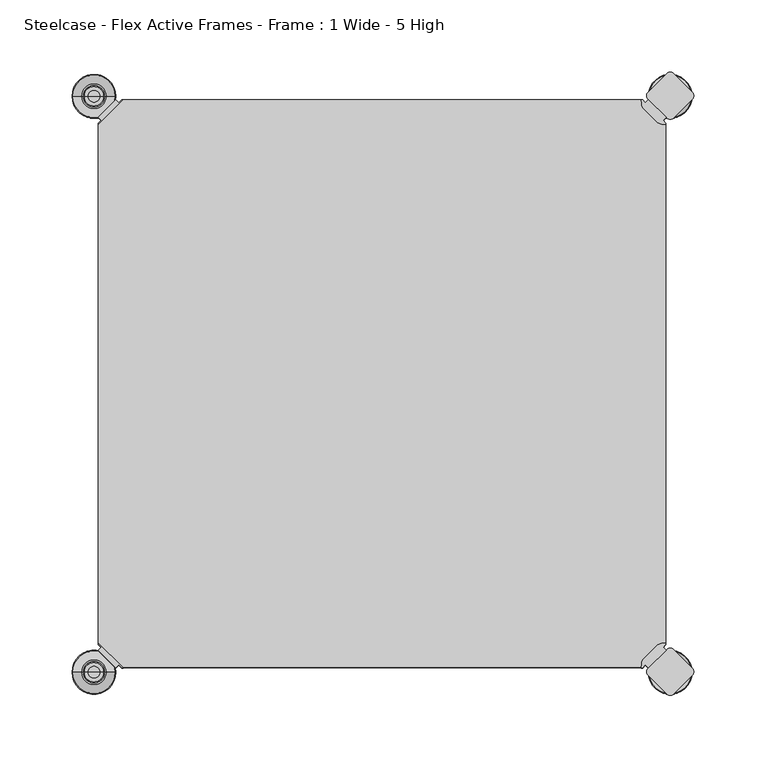
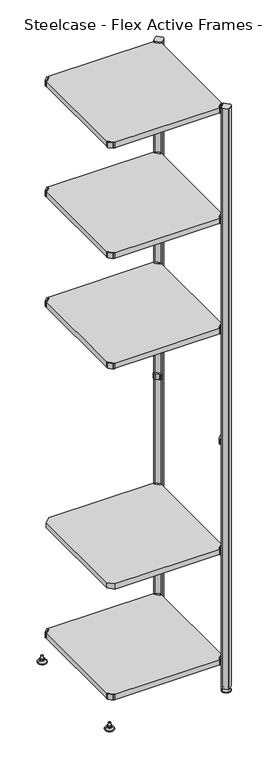
"""IFC4 building model written with IfcOpenShell, lengths in millimetres: furniture geometry, Steelcase - Flex Active Frames - Frame : 1 Wide - 5 High."""

from ifc_helpers import new_model, si_unit, point, frame, frame_2d, origin, place, context, project, spatial, polyline, circle_curve, ellipse_curve, trimmed, segment, composite_curve, outline, extrude, source, transform, mapped, element, save
from ifc_brep_helpers import plane_surface, cylinder_surface, revolved_surface, advanced_brep


def steelcase_flex_active_frames_frame_1_wide_5_high_80282c3d(model_context):
    return source(origin(), model_context, "Body", "SolidModel", [
        advanced_brep(
        [(397.0189896, -396.9286835, 0.0), (410.9677105, -396.9286835, 0.0), (383.0702688, -396.9286835, 0.0), (411.9146181, -396.9286835, 2.116325), (382.1233612, -396.9286835, 2.116325), (405.7623742, -396.9286835, 8.9997406), (388.2756051, -396.9286835, 8.9997406), (404.4198582, -396.9286835, 8.9997406), (389.6181211, -396.9286835, 8.9997406), (404.4198582, -396.9286835, 12.0919909), (389.6181211, -396.9286835, 12.0919909), (403.9118582, -396.9286835, 12.5999909), (390.1261211, -396.9286835, 12.5999909), (401.03832, -396.9286835, 12.5999909), (392.9996593, -396.9286835, 12.5999909), (401.03832, -396.9286835, 22.7146261), (392.9996593, -396.9286835, 22.7146261), (397.0189896, -396.9286835, 22.7146261)],
        [
            (0, 1),
            (1, 2, circle_curve(frame((397.0189896, -396.9286835, 0.0), z_axis=(0.0, 0.0, -1.0), x_axis=(1.0, 0.0, 0.0)), 13.9487209)),
            (2, 0),
            (2, 1, circle_curve(frame((397.0189896, -396.9286835, 0.0), z_axis=(0.0, 0.0, -1.0), x_axis=(1.0, 0.0, 0.0)), 13.9487209)),
            (1, 3, circle_curve(frame((410.9677105, -396.9286835, 1.27), z_axis=(0.0, -1.0, 0.0), x_axis=(1.0, 0.0, 0.0)), 1.27)),
            (3, 4, circle_curve(frame((397.0189896, -396.9286835, 2.116325), z_axis=(0.0, 0.0, -1.0), x_axis=(1.0, 0.0, 0.0)), 14.8956285)),
            (4, 2, circle_curve(frame((383.0702688, -396.9286835, 1.27), z_axis=(0.0, -1.0, 0.0), x_axis=(-1.0, 0.0, 0.0)), 1.27)),
            (4, 3, circle_curve(frame((397.0189896, -396.9286835, 2.116325), z_axis=(0.0, 0.0, -1.0), x_axis=(1.0, 0.0, 0.0)), 14.8956285)),
            (3, 5),
            (5, 6, circle_curve(frame((397.0189896, -396.9286835, 8.9997406), z_axis=(0.0, 0.0, -1.0), x_axis=(1.0, 0.0, 0.0)), 8.7433846)),
            (6, 4),
            (6, 5, circle_curve(frame((397.0189896, -396.9286835, 8.9997406), z_axis=(0.0, 0.0, -1.0), x_axis=(1.0, 0.0, 0.0)), 8.7433846)),
            (5, 7),
            (7, 8, circle_curve(frame((397.0189896, -396.9286835, 8.9997406), z_axis=(0.0, 0.0, -1.0), x_axis=(1.0, 0.0, 0.0)), 7.4008685)),
            (8, 6),
            (8, 7, circle_curve(frame((397.0189896, -396.9286835, 8.9997406), z_axis=(0.0, 0.0, -1.0), x_axis=(1.0, 0.0, 0.0)), 7.4008685)),
            (7, 9),
            (9, 10, circle_curve(frame((397.0189896, -396.9286835, 12.0919909), z_axis=(0.0, 0.0, -1.0), x_axis=(1.0, 0.0, 0.0)), 7.4008685)),
            (10, 8),
            (10, 9, circle_curve(frame((397.0189896, -396.9286835, 12.0919909), z_axis=(0.0, 0.0, -1.0), x_axis=(1.0, 0.0, 0.0)), 7.4008685)),
            (9, 11, circle_curve(frame((403.9118582, -396.9286835, 12.0919909), z_axis=(0.0, -1.0, 0.0), x_axis=(1.0, 0.0, 0.0)), 0.508)),
            (11, 12, circle_curve(frame((397.0189896, -396.9286835, 12.5999909), z_axis=(0.0, 0.0, -1.0), x_axis=(1.0, 0.0, 0.0)), 6.8928685)),
            (12, 10, circle_curve(frame((390.1261211, -396.9286835, 12.0919909), z_axis=(0.0, -1.0, 0.0), x_axis=(-1.0, 0.0, 0.0)), 0.508)),
            (12, 11, circle_curve(frame((397.0189896, -396.9286835, 12.5999909), z_axis=(0.0, 0.0, -1.0), x_axis=(1.0, 0.0, 0.0)), 6.8928685)),
            (11, 13),
            (13, 14, circle_curve(frame((397.0189896, -396.9286835, 12.5999909), z_axis=(0.0, 0.0, -1.0), x_axis=(1.0, 0.0, 0.0)), 4.0193303)),
            (14, 12),
            (14, 13, circle_curve(frame((397.0189896, -396.9286835, 12.5999909), z_axis=(0.0, 0.0, -1.0), x_axis=(1.0, 0.0, 0.0)), 4.0193303)),
            (13, 15),
            (15, 16, circle_curve(frame((397.0189896, -396.9286835, 22.7146261), z_axis=(0.0, 0.0, -1.0), x_axis=(1.0, 0.0, 0.0)), 4.0193303)),
            (16, 14),
            (16, 15, circle_curve(frame((397.0189896, -396.9286835, 22.7146261), z_axis=(0.0, 0.0, -1.0), x_axis=(1.0, 0.0, 0.0)), 4.0193303)),
            (15, 17),
            (17, 16),
        ],
        [
            plane_surface(frame((397.0189896, -396.9286835, 0.0), z_axis=(0.0, 0.0, -1.0), x_axis=(1.0, 0.0, 0.0))),
            revolved_surface(trimmed(ellipse_curve(frame((410.9677105, -396.9286835, 1.27), z_axis=(0.0, 1.0, 0.0), x_axis=(1.0, 0.0, 0.0)), 1.27, 1.27), [point((411.9146181, -396.9286835, 2.116325))], [point((410.9677105, -396.9286835, 0.0))], True, "CARTESIAN"), (397.0189896, -396.9286835, 32.0514718), (0.0, 0.0, -1.0)),
            revolved_surface(polyline([(405.7623742, -396.9286835, 8.9997406), (411.9146181, -396.9286835, 2.116325)]), (397.0189896, -396.9286835, 32.0514718), (0.0, 0.0, -1.0)),
            plane_surface(frame((397.0189896, -396.9286835, 8.9997406), z_axis=(0.0, 0.0, 1.0), x_axis=(1.0, 0.0, 0.0))),
            cylinder_surface(frame((397.0189896, -396.9286835, 32.0514718), z_axis=(0.0, 0.0, -1.0), x_axis=(1.0, 0.0, 0.0)), 7.4008685),
            revolved_surface(trimmed(ellipse_curve(frame((403.9118582, -396.9286835, 12.0919909), z_axis=(0.0, 1.0, 0.0), x_axis=(1.0, 0.0, 0.0)), 0.508, 0.508), [point((403.9118582, -396.9286835, 12.5999909))], [point((404.4198582, -396.9286835, 12.0919909))], True, "CARTESIAN"), (397.0189896, -396.9286835, 32.0514718), (0.0, 0.0, -1.0)),
            plane_surface(frame((397.0189896, -396.9286835, 12.5999909), z_axis=(0.0, 0.0, 1.0), x_axis=(1.0, 0.0, 0.0))),
            cylinder_surface(frame((397.0189896, -396.9286835, 32.0514718), z_axis=(0.0, 0.0, -1.0), x_axis=(1.0, 0.0, 0.0)), 4.0193303),
            plane_surface(frame((397.0189896, -396.9286835, 22.7146261), z_axis=(0.0, 0.0, 1.0), x_axis=(1.0, 0.0, 0.0))),
        ],
        [
            (0, [[1, 2, 3]]),
            (0, [[-3, 4, -1]]),
            (1, [[-2, 5, 6, 7]]),
            (1, [[-4, -7, 8, -5]]),
            (2, [[-6, 9, 10, 11]]),
            (2, [[-8, -11, 12, -9]]),
            (3, [[-10, 13, 14, 15]]),
            (3, [[-12, -15, 16, -13]]),
            (4, [[-14, 17, 18, 19]]),
            (4, [[-16, -19, 20, -17]]),
            (5, [[-18, 21, 22, 23]]),
            (5, [[-20, -23, 24, -21]]),
            (6, [[-22, 25, 26, 27]]),
            (6, [[-24, -27, 28, -25]]),
            (7, [[-26, 29, 30, 31]]),
            (7, [[-28, -31, 32, -29]]),
            (8, [[-30, 33, 34]]),
            (8, [[-32, -34, -33]]),
        ],
    ),
        advanced_brep(
        [(397.0189896, 2.9246323, 0.0), (383.0702688, 2.9246323, 0.0), (410.9677105, 2.9246323, 0.0), (382.1233612, 2.9246323, 2.116325), (411.9146181, 2.9246323, 2.116325), (388.2756051, 2.9246323, 8.9997406), (405.7623742, 2.9246323, 8.9997406), (389.6181211, 2.9246323, 8.9997406), (404.4198582, 2.9246323, 8.9997406), (389.6181211, 2.9246323, 12.0919909), (404.4198582, 2.9246323, 12.0919909), (390.1261211, 2.9246323, 12.5999909), (403.9118582, 2.9246323, 12.5999909), (392.9996593, 2.9246323, 12.5999909), (401.03832, 2.9246323, 12.5999909), (392.9996593, 2.9246323, 22.7146261), (401.03832, 2.9246323, 22.7146261), (397.0189896, 2.9246323, 22.7146261)],
        [
            (0, 1),
            (1, 2, circle_curve(frame((397.0189896, 2.9246323, 0.0), z_axis=(0.0, 0.0, -1.0), x_axis=(1.0, 0.0, 0.0)), 13.9487209)),
            (2, 0),
            (2, 1, circle_curve(frame((397.0189896, 2.9246323, 0.0), z_axis=(0.0, 0.0, -1.0), x_axis=(1.0, 0.0, 0.0)), 13.9487209)),
            (1, 3, circle_curve(frame((383.0702688, 2.9246323, 1.27), z_axis=(0.0, 1.0, 0.0), x_axis=(-1.0, 0.0, 0.0)), 1.27)),
            (3, 4, circle_curve(frame((397.0189896, 2.9246323, 2.116325), z_axis=(0.0, 0.0, -1.0), x_axis=(1.0, 0.0, 0.0)), 14.8956285)),
            (4, 2, circle_curve(frame((410.9677105, 2.9246323, 1.27), z_axis=(0.0, 1.0, 0.0), x_axis=(1.0, 0.0, 0.0)), 1.27)),
            (4, 3, circle_curve(frame((397.0189896, 2.9246323, 2.116325), z_axis=(0.0, 0.0, -1.0), x_axis=(1.0, 0.0, 0.0)), 14.8956285)),
            (3, 5),
            (5, 6, circle_curve(frame((397.0189896, 2.9246323, 8.9997406), z_axis=(0.0, 0.0, -1.0), x_axis=(1.0, 0.0, 0.0)), 8.7433846)),
            (6, 4),
            (6, 5, circle_curve(frame((397.0189896, 2.9246323, 8.9997406), z_axis=(0.0, 0.0, -1.0), x_axis=(1.0, 0.0, 0.0)), 8.7433846)),
            (5, 7),
            (7, 8, circle_curve(frame((397.0189896, 2.9246323, 8.9997406), z_axis=(0.0, 0.0, -1.0), x_axis=(1.0, 0.0, 0.0)), 7.4008685)),
            (8, 6),
            (8, 7, circle_curve(frame((397.0189896, 2.9246323, 8.9997406), z_axis=(0.0, 0.0, -1.0), x_axis=(1.0, 0.0, 0.0)), 7.4008685)),
            (7, 9),
            (9, 10, circle_curve(frame((397.0189896, 2.9246323, 12.0919909), z_axis=(0.0, 0.0, -1.0), x_axis=(1.0, 0.0, 0.0)), 7.4008685)),
            (10, 8),
            (10, 9, circle_curve(frame((397.0189896, 2.9246323, 12.0919909), z_axis=(0.0, 0.0, -1.0), x_axis=(1.0, 0.0, 0.0)), 7.4008685)),
            (9, 11, circle_curve(frame((390.1261211, 2.9246323, 12.0919909), z_axis=(0.0, 1.0, 0.0), x_axis=(-1.0, 0.0, 0.0)), 0.508)),
            (11, 12, circle_curve(frame((397.0189896, 2.9246323, 12.5999909), z_axis=(0.0, 0.0, -1.0), x_axis=(1.0, 0.0, 0.0)), 6.8928685)),
            (12, 10, circle_curve(frame((403.9118582, 2.9246323, 12.0919909), z_axis=(0.0, 1.0, 0.0), x_axis=(1.0, 0.0, 0.0)), 0.508)),
            (12, 11, circle_curve(frame((397.0189896, 2.9246323, 12.5999909), z_axis=(0.0, 0.0, -1.0), x_axis=(1.0, 0.0, 0.0)), 6.8928685)),
            (11, 13),
            (13, 14, circle_curve(frame((397.0189896, 2.9246323, 12.5999909), z_axis=(0.0, 0.0, -1.0), x_axis=(1.0, 0.0, 0.0)), 4.0193303)),
            (14, 12),
            (14, 13, circle_curve(frame((397.0189896, 2.9246323, 12.5999909), z_axis=(0.0, 0.0, -1.0), x_axis=(1.0, 0.0, 0.0)), 4.0193303)),
            (13, 15),
            (15, 16, circle_curve(frame((397.0189896, 2.9246323, 22.7146261), z_axis=(0.0, 0.0, -1.0), x_axis=(1.0, 0.0, 0.0)), 4.0193303)),
            (16, 14),
            (16, 15, circle_curve(frame((397.0189896, 2.9246323, 22.7146261), z_axis=(0.0, 0.0, -1.0), x_axis=(1.0, 0.0, 0.0)), 4.0193303)),
            (15, 17),
            (17, 16),
        ],
        [
            plane_surface(frame((397.0189896, 2.9246323, 0.0), z_axis=(0.0, 0.0, -1.0), x_axis=(1.0, 0.0, 0.0))),
            revolved_surface(trimmed(ellipse_curve(frame((410.9677105, 2.9246323, 1.27), z_axis=(0.0, 1.0, 0.0), x_axis=(1.0, 0.0, 0.0)), 1.27, 1.27), [point((411.9146181, 2.9246323, 2.116325))], [point((410.9677105, 2.9246323, 0.0))], True, "CARTESIAN"), (397.0189896, 2.9246323, 32.0514718), (0.0, 0.0, -1.0)),
            revolved_surface(polyline([(405.7623742, 2.9246323, 8.9997406), (411.9146181, 2.9246323, 2.116325)]), (397.0189896, 2.9246323, 32.0514718), (0.0, 0.0, -1.0)),
            plane_surface(frame((397.0189896, 2.9246323, 8.9997406), z_axis=(0.0, 0.0, 1.0), x_axis=(1.0, 0.0, 0.0))),
            cylinder_surface(frame((397.0189896, 2.9246323, 32.0514718), z_axis=(0.0, 0.0, -1.0), x_axis=(1.0, 0.0, 0.0)), 7.4008685),
            revolved_surface(trimmed(ellipse_curve(frame((403.9118582, 2.9246323, 12.0919909), z_axis=(0.0, 1.0, 0.0), x_axis=(1.0, 0.0, 0.0)), 0.508, 0.508), [point((403.9118582, 2.9246323, 12.5999909))], [point((404.4198582, 2.9246323, 12.0919909))], True, "CARTESIAN"), (397.0189896, 2.9246323, 32.0514718), (0.0, 0.0, -1.0)),
            plane_surface(frame((397.0189896, 2.9246323, 12.5999909), z_axis=(0.0, 0.0, 1.0), x_axis=(1.0, 0.0, 0.0))),
            cylinder_surface(frame((397.0189896, 2.9246323, 32.0514718), z_axis=(0.0, 0.0, -1.0), x_axis=(1.0, 0.0, 0.0)), 4.0193303),
            plane_surface(frame((397.0189896, 2.9246323, 22.7146261), z_axis=(0.0, 0.0, 1.0), x_axis=(1.0, 0.0, 0.0))),
        ],
        [
            (0, [[1, 2, 3]]),
            (0, [[-3, 4, -1]]),
            (1, [[5, 6, 7, -2]]),
            (1, [[-7, 8, -5, -4]]),
            (2, [[9, 10, 11, -6]]),
            (2, [[-11, 12, -9, -8]]),
            (3, [[13, 14, 15, -10]]),
            (3, [[-15, 16, -13, -12]]),
            (4, [[17, 18, 19, -14]]),
            (4, [[-19, 20, -17, -16]]),
            (5, [[21, 22, 23, -18]]),
            (5, [[-23, 24, -21, -20]]),
            (6, [[25, 26, 27, -22]]),
            (6, [[-27, 28, -25, -24]]),
            (7, [[29, 30, 31, -26]]),
            (7, [[-31, 32, -29, -28]]),
            (8, [[33, 34, -30]]),
            (8, [[-34, -33, -32]]),
        ],
    ),
        advanced_brep(
        [(-3.0195166, -396.8786323, 0.0), (10.9292042, -396.8786323, 0.0), (-16.9682375, -396.8786323, 0.0), (11.8761118, -396.8786323, 2.116325), (-17.9151451, -396.8786323, 2.116325), (5.7238679, -396.8786323, 8.9997406), (-11.7629012, -396.8786323, 8.9997406), (4.3813519, -396.8786323, 8.9997406), (-10.4203852, -396.8786323, 8.9997406), (4.3813519, -396.8786323, 12.0919909), (-10.4203852, -396.8786323, 12.0919909), (3.8733519, -396.8786323, 12.5999909), (-9.9123852, -396.8786323, 12.5999909), (0.9998137, -396.8786323, 12.5999909), (-7.038847, -396.8786323, 12.5999909), (0.9998137, -396.8786323, 22.7146261), (-7.038847, -396.8786323, 22.7146261), (-3.0195166, -396.8786323, 22.7146261)],
        [
            (0, 1),
            (1, 2, circle_curve(frame((-3.0195166, -396.8786323, 0.0), z_axis=(0.0, 0.0, -1.0), x_axis=(-1.0, 0.0, 0.0)), 13.9487209)),
            (2, 0),
            (2, 1, circle_curve(frame((-3.0195166, -396.8786323, 0.0), z_axis=(0.0, 0.0, -1.0), x_axis=(-1.0, 0.0, 0.0)), 13.9487209)),
            (1, 3, circle_curve(frame((10.9292042, -396.8786323, 1.27), z_axis=(0.0, -1.0, 0.0), x_axis=(1.0, 0.0, 0.0)), 1.27)),
            (3, 4, circle_curve(frame((-3.0195166, -396.8786323, 2.116325), z_axis=(0.0, 0.0, -1.0), x_axis=(-1.0, 0.0, 0.0)), 14.8956285)),
            (4, 2, circle_curve(frame((-16.9682375, -396.8786323, 1.27), z_axis=(0.0, -1.0, 0.0), x_axis=(-1.0, 0.0, 0.0)), 1.27)),
            (4, 3, circle_curve(frame((-3.0195166, -396.8786323, 2.116325), z_axis=(0.0, 0.0, -1.0), x_axis=(-1.0, 0.0, 0.0)), 14.8956285)),
            (3, 5),
            (5, 6, circle_curve(frame((-3.0195166, -396.8786323, 8.9997406), z_axis=(0.0, 0.0, -1.0), x_axis=(-1.0, 0.0, 0.0)), 8.7433846)),
            (6, 4),
            (6, 5, circle_curve(frame((-3.0195166, -396.8786323, 8.9997406), z_axis=(0.0, 0.0, -1.0), x_axis=(-1.0, 0.0, 0.0)), 8.7433846)),
            (5, 7),
            (7, 8, circle_curve(frame((-3.0195166, -396.8786323, 8.9997406), z_axis=(0.0, 0.0, -1.0), x_axis=(-1.0, 0.0, 0.0)), 7.4008685)),
            (8, 6),
            (8, 7, circle_curve(frame((-3.0195166, -396.8786323, 8.9997406), z_axis=(0.0, 0.0, -1.0), x_axis=(-1.0, 0.0, 0.0)), 7.4008685)),
            (7, 9),
            (9, 10, circle_curve(frame((-3.0195166, -396.8786323, 12.0919909), z_axis=(0.0, 0.0, -1.0), x_axis=(-1.0, 0.0, 0.0)), 7.4008685)),
            (10, 8),
            (10, 9, circle_curve(frame((-3.0195166, -396.8786323, 12.0919909), z_axis=(0.0, 0.0, -1.0), x_axis=(-1.0, 0.0, 0.0)), 7.4008685)),
            (9, 11, circle_curve(frame((3.8733519, -396.8786323, 12.0919909), z_axis=(0.0, -1.0, 0.0), x_axis=(1.0, 0.0, 0.0)), 0.508)),
            (11, 12, circle_curve(frame((-3.0195166, -396.8786323, 12.5999909), z_axis=(0.0, 0.0, -1.0), x_axis=(-1.0, 0.0, 0.0)), 6.8928685)),
            (12, 10, circle_curve(frame((-9.9123852, -396.8786323, 12.0919909), z_axis=(0.0, -1.0, 0.0), x_axis=(-1.0, 0.0, 0.0)), 0.508)),
            (12, 11, circle_curve(frame((-3.0195166, -396.8786323, 12.5999909), z_axis=(0.0, 0.0, -1.0), x_axis=(-1.0, 0.0, 0.0)), 6.8928685)),
            (11, 13),
            (13, 14, circle_curve(frame((-3.0195166, -396.8786323, 12.5999909), z_axis=(0.0, 0.0, -1.0), x_axis=(-1.0, 0.0, 0.0)), 4.0193303)),
            (14, 12),
            (14, 13, circle_curve(frame((-3.0195166, -396.8786323, 12.5999909), z_axis=(0.0, 0.0, -1.0), x_axis=(-1.0, 0.0, 0.0)), 4.0193303)),
            (13, 15),
            (15, 16, circle_curve(frame((-3.0195166, -396.8786323, 22.7146261), z_axis=(0.0, 0.0, -1.0), x_axis=(-1.0, 0.0, 0.0)), 4.0193303)),
            (16, 14),
            (16, 15, circle_curve(frame((-3.0195166, -396.8786323, 22.7146261), z_axis=(0.0, 0.0, -1.0), x_axis=(-1.0, 0.0, 0.0)), 4.0193303)),
            (15, 17),
            (17, 16),
        ],
        [
            plane_surface(frame((-3.0195166, -396.8786323, 0.0), z_axis=(0.0, 0.0, -1.0), x_axis=(-1.0, 0.0, 0.0))),
            revolved_surface(trimmed(ellipse_curve(frame((-16.9682375, -396.8786323, 1.27), z_axis=(0.0, -1.0, 0.0), x_axis=(-1.0, 0.0, 0.0)), 1.27, 1.27), [point((-17.9151451, -396.8786323, 2.116325))], [point((-16.9682375, -396.8786323, 0.0))], True, "CARTESIAN"), (-3.0195166, -396.8786323, 32.0514718), (0.0, 0.0, -1.0)),
            revolved_surface(polyline([(-11.7629012, -396.8786323, 8.9997406), (-17.9151451, -396.8786323, 2.116325)]), (-3.0195166, -396.8786323, 32.0514718), (0.0, 0.0, -1.0)),
            plane_surface(frame((-3.0195166, -396.8786323, 8.9997406), z_axis=(0.0, 0.0, 1.0), x_axis=(-1.0, 0.0, 0.0))),
            cylinder_surface(frame((-3.0195166, -396.8786323, 32.0514718), z_axis=(0.0, 0.0, -1.0), x_axis=(-1.0, 0.0, 0.0)), 7.4008685),
            revolved_surface(trimmed(ellipse_curve(frame((-9.9123852, -396.8786323, 12.0919909), z_axis=(0.0, -1.0, 0.0), x_axis=(-1.0, 0.0, 0.0)), 0.508, 0.508), [point((-9.9123852, -396.8786323, 12.5999909))], [point((-10.4203852, -396.8786323, 12.0919909))], True, "CARTESIAN"), (-3.0195166, -396.8786323, 32.0514718), (0.0, 0.0, -1.0)),
            plane_surface(frame((-3.0195166, -396.8786323, 12.5999909), z_axis=(0.0, 0.0, 1.0), x_axis=(-1.0, 0.0, 0.0))),
            cylinder_surface(frame((-3.0195166, -396.8786323, 32.0514718), z_axis=(0.0, 0.0, -1.0), x_axis=(-1.0, 0.0, 0.0)), 4.0193303),
            plane_surface(frame((-3.0195166, -396.8786323, 22.7146261), z_axis=(0.0, 0.0, 1.0), x_axis=(-1.0, 0.0, 0.0))),
        ],
        [
            (0, [[1, 2, 3]]),
            (0, [[-3, 4, -1]]),
            (1, [[5, 6, 7, -2]]),
            (1, [[-7, 8, -5, -4]]),
            (2, [[9, 10, 11, -6]]),
            (2, [[-11, 12, -9, -8]]),
            (3, [[13, 14, 15, -10]]),
            (3, [[-15, 16, -13, -12]]),
            (4, [[17, 18, 19, -14]]),
            (4, [[-19, 20, -17, -16]]),
            (5, [[21, 22, 23, -18]]),
            (5, [[-23, 24, -21, -20]]),
            (6, [[25, 26, 27, -22]]),
            (6, [[-27, 28, -25, -24]]),
            (7, [[29, 30, 31, -26]]),
            (7, [[-31, 32, -29, -28]]),
            (8, [[33, 34, -30]]),
            (8, [[-34, -33, -32]]),
        ],
    ),
        advanced_brep(
        [(-3.0195166, 2.9246323, 0.0), (-16.9682375, 2.9246323, 0.0), (10.9292042, 2.9246323, 0.0), (-17.9151451, 2.9246323, 2.116325), (11.8761118, 2.9246323, 2.116325), (-11.7629012, 2.9246323, 8.9997406), (5.7238679, 2.9246323, 8.9997406), (-10.4203852, 2.9246323, 8.9997406), (4.3813519, 2.9246323, 8.9997406), (-10.4203852, 2.9246323, 12.0919909), (4.3813519, 2.9246323, 12.0919909), (-9.9123852, 2.9246323, 12.5999909), (3.8733519, 2.9246323, 12.5999909), (-7.038847, 2.9246323, 12.5999909), (0.9998137, 2.9246323, 12.5999909), (-7.038847, 2.9246323, 22.7146261), (0.9998137, 2.9246323, 22.7146261), (-3.0195166, 2.9246323, 22.7146261)],
        [
            (0, 1),
            (1, 2, circle_curve(frame((-3.0195166, 2.9246323, 0.0), z_axis=(0.0, 0.0, -1.0), x_axis=(-1.0, 0.0, 0.0)), 13.9487209)),
            (2, 0),
            (2, 1, circle_curve(frame((-3.0195166, 2.9246323, 0.0), z_axis=(0.0, 0.0, -1.0), x_axis=(-1.0, 0.0, 0.0)), 13.9487209)),
            (1, 3, circle_curve(frame((-16.9682375, 2.9246323, 1.27), z_axis=(0.0, 1.0, 0.0), x_axis=(-1.0, 0.0, 0.0)), 1.27)),
            (3, 4, circle_curve(frame((-3.0195166, 2.9246323, 2.116325), z_axis=(0.0, 0.0, -1.0), x_axis=(-1.0, 0.0, 0.0)), 14.8956285)),
            (4, 2, circle_curve(frame((10.9292042, 2.9246323, 1.27), z_axis=(0.0, 1.0, 0.0), x_axis=(1.0, 0.0, 0.0)), 1.27)),
            (4, 3, circle_curve(frame((-3.0195166, 2.9246323, 2.116325), z_axis=(0.0, 0.0, -1.0), x_axis=(-1.0, 0.0, 0.0)), 14.8956285)),
            (3, 5),
            (5, 6, circle_curve(frame((-3.0195166, 2.9246323, 8.9997406), z_axis=(0.0, 0.0, -1.0), x_axis=(-1.0, 0.0, 0.0)), 8.7433846)),
            (6, 4),
            (6, 5, circle_curve(frame((-3.0195166, 2.9246323, 8.9997406), z_axis=(0.0, 0.0, -1.0), x_axis=(-1.0, 0.0, 0.0)), 8.7433846)),
            (5, 7),
            (7, 8, circle_curve(frame((-3.0195166, 2.9246323, 8.9997406), z_axis=(0.0, 0.0, -1.0), x_axis=(-1.0, 0.0, 0.0)), 7.4008685)),
            (8, 6),
            (8, 7, circle_curve(frame((-3.0195166, 2.9246323, 8.9997406), z_axis=(0.0, 0.0, -1.0), x_axis=(-1.0, 0.0, 0.0)), 7.4008685)),
            (7, 9),
            (9, 10, circle_curve(frame((-3.0195166, 2.9246323, 12.0919909), z_axis=(0.0, 0.0, -1.0), x_axis=(-1.0, 0.0, 0.0)), 7.4008685)),
            (10, 8),
            (10, 9, circle_curve(frame((-3.0195166, 2.9246323, 12.0919909), z_axis=(0.0, 0.0, -1.0), x_axis=(-1.0, 0.0, 0.0)), 7.4008685)),
            (9, 11, circle_curve(frame((-9.9123852, 2.9246323, 12.0919909), z_axis=(0.0, 1.0, 0.0), x_axis=(-1.0, 0.0, 0.0)), 0.508)),
            (11, 12, circle_curve(frame((-3.0195166, 2.9246323, 12.5999909), z_axis=(0.0, 0.0, -1.0), x_axis=(-1.0, 0.0, 0.0)), 6.8928685)),
            (12, 10, circle_curve(frame((3.8733519, 2.9246323, 12.0919909), z_axis=(0.0, 1.0, 0.0), x_axis=(1.0, 0.0, 0.0)), 0.508)),
            (12, 11, circle_curve(frame((-3.0195166, 2.9246323, 12.5999909), z_axis=(0.0, 0.0, -1.0), x_axis=(-1.0, 0.0, 0.0)), 6.8928685)),
            (11, 13),
            (13, 14, circle_curve(frame((-3.0195166, 2.9246323, 12.5999909), z_axis=(0.0, 0.0, -1.0), x_axis=(-1.0, 0.0, 0.0)), 4.0193303)),
            (14, 12),
            (14, 13, circle_curve(frame((-3.0195166, 2.9246323, 12.5999909), z_axis=(0.0, 0.0, -1.0), x_axis=(-1.0, 0.0, 0.0)), 4.0193303)),
            (13, 15),
            (15, 16, circle_curve(frame((-3.0195166, 2.9246323, 22.7146261), z_axis=(0.0, 0.0, -1.0), x_axis=(-1.0, 0.0, 0.0)), 4.0193303)),
            (16, 14),
            (16, 15, circle_curve(frame((-3.0195166, 2.9246323, 22.7146261), z_axis=(0.0, 0.0, -1.0), x_axis=(-1.0, 0.0, 0.0)), 4.0193303)),
            (15, 17),
            (17, 16),
        ],
        [
            plane_surface(frame((-3.0195166, 2.9246323, 0.0), z_axis=(0.0, 0.0, -1.0), x_axis=(-1.0, 0.0, 0.0))),
            revolved_surface(trimmed(ellipse_curve(frame((-16.9682375, 2.9246323, 1.27), z_axis=(0.0, -1.0, 0.0), x_axis=(-1.0, 0.0, 0.0)), 1.27, 1.27), [point((-17.9151451, 2.9246323, 2.116325))], [point((-16.9682375, 2.9246323, 0.0))], True, "CARTESIAN"), (-3.0195166, 2.9246323, 32.0514718), (0.0, 0.0, -1.0)),
            revolved_surface(polyline([(-11.7629012, 2.9246323, 8.9997406), (-17.9151451, 2.9246323, 2.116325)]), (-3.0195166, 2.9246323, 32.0514718), (0.0, 0.0, -1.0)),
            plane_surface(frame((-3.0195166, 2.9246323, 8.9997406), z_axis=(0.0, 0.0, 1.0), x_axis=(-1.0, 0.0, 0.0))),
            cylinder_surface(frame((-3.0195166, 2.9246323, 32.0514718), z_axis=(0.0, 0.0, -1.0), x_axis=(-1.0, 0.0, 0.0)), 7.4008685),
            revolved_surface(trimmed(ellipse_curve(frame((-9.9123852, 2.9246323, 12.0919909), z_axis=(0.0, -1.0, 0.0), x_axis=(-1.0, 0.0, 0.0)), 0.508, 0.508), [point((-9.9123852, 2.9246323, 12.5999909))], [point((-10.4203852, 2.9246323, 12.0919909))], True, "CARTESIAN"), (-3.0195166, 2.9246323, 32.0514718), (0.0, 0.0, -1.0)),
            plane_surface(frame((-3.0195166, 2.9246323, 12.5999909), z_axis=(0.0, 0.0, 1.0), x_axis=(-1.0, 0.0, 0.0))),
            cylinder_surface(frame((-3.0195166, 2.9246323, 32.0514718), z_axis=(0.0, 0.0, -1.0), x_axis=(-1.0, 0.0, 0.0)), 4.0193303),
            plane_surface(frame((-3.0195166, 2.9246323, 22.7146261), z_axis=(0.0, 0.0, 1.0), x_axis=(-1.0, 0.0, 0.0))),
        ],
        [
            (0, [[1, 2, 3]]),
            (0, [[-3, 4, -1]]),
            (1, [[-2, 5, 6, 7]]),
            (1, [[-4, -7, 8, -5]]),
            (2, [[-6, 9, 10, 11]]),
            (2, [[-8, -11, 12, -9]]),
            (3, [[-10, 13, 14, 15]]),
            (3, [[-12, -15, 16, -13]]),
            (4, [[-14, 17, 18, 19]]),
            (4, [[-16, -19, 20, -17]]),
            (5, [[-18, 21, 22, 23]]),
            (5, [[-20, -23, 24, -21]]),
            (6, [[-22, 25, 26, 27]]),
            (6, [[-24, -27, 28, -25]]),
            (7, [[-26, 29, 30, 31]]),
            (7, [[-28, -31, 32, -29]]),
            (8, [[-30, 33, 34]]),
            (8, [[-32, -34, -33]]),
        ],
    ),
        extrude(outline(composite_curve([segment(polyline([(379.8559087, -1.93874), (381.9438741, 0.1493247), (394.1381758, -12.044977), (392.050245, -14.1329326), (394.0211787, -16.1038431), (394.0089928, -17.203916), (391.2738542, -16.8384277)]), True, "CONTINUOUS"), segment(trimmed(circle_curve(frame_2d((392.1149096, -10.5443729)), 6.35), [point((391.2738542, -16.8384277))], [point((387.6247514, -15.0344708))], False, "CARTESIAN"), True, "CONTINUOUS"), segment(polyline([(387.6247514, -15.0344708), (378.9554584, -6.3650612)]), True, "CONTINUOUS"), segment(trimmed(circle_curve(frame_2d((383.4456166, -1.8749633)), 6.35), [point((378.9554584, -6.3650612))], [point((377.1515853, -2.7161946))], False, "CARTESIAN"), True, "CONTINUOUS"), segment(polyline([(377.1515853, -2.7161946), (376.786013, 0.0189911), (377.8859459, 0.0311996), (379.8559087, -1.93874)]), True, "CONTINUOUS")], self_intersect=False)), frame((0.0, 0.0, 2096.4822075), z_axis=(0.0, 0.0, 1.0), x_axis=(1.0, 0.0, 0.0)), (0.0, 0.0, 1.0), 20.2281258),
        extrude(outline(composite_curve([segment(polyline([(379.8559087, -392.01526), (377.8859459, -393.9851996), (376.786013, -393.9729911), (377.1515853, -391.2378054)]), True, "CONTINUOUS"), segment(trimmed(circle_curve(frame_2d((383.4456166, -392.0790367)), 6.35), [point((377.1515853, -391.2378054))], [point((378.9554584, -387.5889388))], False, "CARTESIAN"), True, "CONTINUOUS"), segment(polyline([(378.9554584, -387.5889388), (387.6247514, -378.9195292)]), True, "CONTINUOUS"), segment(trimmed(circle_curve(frame_2d((392.1149096, -383.4096271)), 6.35), [point((387.6247514, -378.9195292))], [point((391.2738542, -377.1155723))], False, "CARTESIAN"), True, "CONTINUOUS"), segment(polyline([(391.2738542, -377.1155723), (394.0089928, -376.750084), (394.0211787, -377.8501569), (392.050245, -379.8210674), (394.1381758, -381.909023), (381.9438741, -394.1033247), (379.8559087, -392.01526)]), True, "CONTINUOUS")], self_intersect=False)), frame((0.0, 0.0, 2096.4822075), z_axis=(0.0, 0.0, 1.0), x_axis=(1.0, 0.0, 0.0)), (0.0, 0.0, 1.0), 20.2281258),
        extrude(outline(polyline([(0.0003876, -376.7599914), (0.0003876, -17.1940086), (17.1943962, 0.0), (376.8050768, 0.0), (393.9990854, -17.1940086), (393.9990854, -376.7599914), (376.8050768, -393.954), (17.1943962, -393.954), (0.0003876, -376.7599914)])), frame((0.0, 0.0, 2097.4996841), z_axis=(0.0, 0.0, 1.0), x_axis=(1.0, 0.0, 0.0)), (0.0, 0.0, 1.0), 19.0000031),
        extrude(outline(composite_curve([segment(polyline([(14.1435643, -1.93874), (16.1135271, 0.0311996), (17.21346, 0.0189911), (16.8478877, -2.7161946)]), True, "CONTINUOUS"), segment(trimmed(circle_curve(frame_2d((10.5538564, -1.8749633)), 6.35), [point((16.8478877, -2.7161946))], [point((15.0440146, -6.3650612))], False, "CARTESIAN"), True, "CONTINUOUS"), segment(polyline([(15.0440146, -6.3650612), (6.3747216, -15.0344708)]), True, "CONTINUOUS"), segment(trimmed(circle_curve(frame_2d((1.8845634, -10.5443729)), 6.35), [point((6.3747216, -15.0344708))], [point((2.7256188, -16.8384277))], False, "CARTESIAN"), True, "CONTINUOUS"), segment(polyline([(2.7256188, -16.8384277), (-0.0095198, -17.203916), (-0.0217057, -16.1038431), (1.949228, -14.1329326), (-0.1387028, -12.044977), (12.0555989, 0.1493247), (14.1435643, -1.93874)]), True, "CONTINUOUS")], self_intersect=False)), frame((0.0, 0.0, 2096.4822075), z_axis=(0.0, 0.0, 1.0), x_axis=(1.0, 0.0, 0.0)), (0.0, 0.0, 1.0), 20.2281258),
        extrude(outline(composite_curve([segment(polyline([(14.1435643, -392.01526), (12.0555989, -394.1033247), (-0.1387028, -381.909023), (1.949228, -379.8210674), (-0.0217057, -377.8501569), (-0.0095198, -376.750084), (2.7256188, -377.1155723)]), True, "CONTINUOUS"), segment(trimmed(circle_curve(frame_2d((1.8845634, -383.4096271)), 6.35), [point((2.7256188, -377.1155723))], [point((6.3747216, -378.9195292))], False, "CARTESIAN"), True, "CONTINUOUS"), segment(polyline([(6.3747216, -378.9195292), (15.0440146, -387.5889388)]), True, "CONTINUOUS"), segment(trimmed(circle_curve(frame_2d((10.5538564, -392.0790367)), 6.35), [point((15.0440146, -387.5889388))], [point((16.8478877, -391.2378054))], False, "CARTESIAN"), True, "CONTINUOUS"), segment(polyline([(16.8478877, -391.2378054), (17.21346, -393.9729911), (16.1135271, -393.9851996), (14.1435643, -392.01526)]), True, "CONTINUOUS")], self_intersect=False)), frame((0.0, 0.0, 2096.4822075), z_axis=(0.0, 0.0, 1.0), x_axis=(1.0, 0.0, 0.0)), (0.0, 0.0, 1.0), 20.2281258),
        extrude(outline(composite_curve([segment(polyline([(379.8559087, -1.93874), (381.9438741, 0.1493247), (394.1381758, -12.044977), (392.050245, -14.1329326), (394.0211787, -16.1038431), (394.0089928, -17.203916), (391.2738542, -16.8384277)]), True, "CONTINUOUS"), segment(trimmed(circle_curve(frame_2d((392.1149096, -10.5443729)), 6.35), [point((391.2738542, -16.8384277))], [point((387.6247514, -15.0344708))], False, "CARTESIAN"), True, "CONTINUOUS"), segment(polyline([(387.6247514, -15.0344708), (378.9554584, -6.3650612)]), True, "CONTINUOUS"), segment(trimmed(circle_curve(frame_2d((383.4456166, -1.8749633)), 6.35), [point((378.9554584, -6.3650612))], [point((377.1515853, -2.7161946))], False, "CARTESIAN"), True, "CONTINUOUS"), segment(polyline([(377.1515853, -2.7161946), (376.786013, 0.0189911), (377.8859459, 0.0311996), (379.8559087, -1.93874)]), True, "CONTINUOUS")], self_intersect=False)), frame((0.0, 0.0, 1696.4822044), z_axis=(0.0, 0.0, 1.0), x_axis=(1.0, 0.0, 0.0)), (0.0, 0.0, 1.0), 20.2281258),
        extrude(outline(composite_curve([segment(polyline([(379.8559087, -392.01526), (377.8859459, -393.9851996), (376.786013, -393.9729911), (377.1515853, -391.2378054)]), True, "CONTINUOUS"), segment(trimmed(circle_curve(frame_2d((383.4456166, -392.0790367)), 6.35), [point((377.1515853, -391.2378054))], [point((378.9554584, -387.5889388))], False, "CARTESIAN"), True, "CONTINUOUS"), segment(polyline([(378.9554584, -387.5889388), (387.6247514, -378.9195292)]), True, "CONTINUOUS"), segment(trimmed(circle_curve(frame_2d((392.1149096, -383.4096271)), 6.35), [point((387.6247514, -378.9195292))], [point((391.2738542, -377.1155723))], False, "CARTESIAN"), True, "CONTINUOUS"), segment(polyline([(391.2738542, -377.1155723), (394.0089928, -376.750084), (394.0211787, -377.8501569), (392.050245, -379.8210674), (394.1381758, -381.909023), (381.9438741, -394.1033247), (379.8559087, -392.01526)]), True, "CONTINUOUS")], self_intersect=False)), frame((0.0, 0.0, 1696.4822044), z_axis=(0.0, 0.0, 1.0), x_axis=(1.0, 0.0, 0.0)), (0.0, 0.0, 1.0), 20.2281258),
        extrude(outline(polyline([(0.0003876, -376.7599914), (0.0003876, -17.1940086), (17.1943962, 0.0), (376.8050768, 0.0), (393.9990854, -17.1940086), (393.9990854, -376.7599914), (376.8050768, -393.954), (17.1943962, -393.954), (0.0003876, -376.7599914)])), frame((0.0, 0.0, 1697.4996811), z_axis=(0.0, 0.0, 1.0), x_axis=(1.0, 0.0, 0.0)), (0.0, 0.0, 1.0), 19.0000031),
        extrude(outline(composite_curve([segment(polyline([(14.1435643, -1.93874), (16.1135271, 0.0311996), (17.21346, 0.0189911), (16.8478877, -2.7161946)]), True, "CONTINUOUS"), segment(trimmed(circle_curve(frame_2d((10.5538564, -1.8749633)), 6.35), [point((16.8478877, -2.7161946))], [point((15.0440146, -6.3650612))], False, "CARTESIAN"), True, "CONTINUOUS"), segment(polyline([(15.0440146, -6.3650612), (6.3747216, -15.0344708)]), True, "CONTINUOUS"), segment(trimmed(circle_curve(frame_2d((1.8845634, -10.5443729)), 6.35), [point((6.3747216, -15.0344708))], [point((2.7256188, -16.8384277))], False, "CARTESIAN"), True, "CONTINUOUS"), segment(polyline([(2.7256188, -16.8384277), (-0.0095198, -17.203916), (-0.0217057, -16.1038431), (1.949228, -14.1329326), (-0.1387028, -12.044977), (12.0555989, 0.1493247), (14.1435643, -1.93874)]), True, "CONTINUOUS")], self_intersect=False)), frame((0.0, 0.0, 1696.4822044), z_axis=(0.0, 0.0, 1.0), x_axis=(1.0, 0.0, 0.0)), (0.0, 0.0, 1.0), 20.2281258),
        extrude(outline(composite_curve([segment(polyline([(14.1435643, -392.01526), (12.0555989, -394.1033247), (-0.1387028, -381.909023), (1.949228, -379.8210674), (-0.0217057, -377.8501569), (-0.0095198, -376.750084), (2.7256188, -377.1155723)]), True, "CONTINUOUS"), segment(trimmed(circle_curve(frame_2d((1.8845634, -383.4096271)), 6.35), [point((2.7256188, -377.1155723))], [point((6.3747216, -378.9195292))], False, "CARTESIAN"), True, "CONTINUOUS"), segment(polyline([(6.3747216, -378.9195292), (15.0440146, -387.5889388)]), True, "CONTINUOUS"), segment(trimmed(circle_curve(frame_2d((10.5538564, -392.0790367)), 6.35), [point((15.0440146, -387.5889388))], [point((16.8478877, -391.2378054))], False, "CARTESIAN"), True, "CONTINUOUS"), segment(polyline([(16.8478877, -391.2378054), (17.21346, -393.9729911), (16.1135271, -393.9851996), (14.1435643, -392.01526)]), True, "CONTINUOUS")], self_intersect=False)), frame((0.0, 0.0, 1696.4822044), z_axis=(0.0, 0.0, 1.0), x_axis=(1.0, 0.0, 0.0)), (0.0, 0.0, 1.0), 20.2281258),
        extrude(outline(composite_curve([segment(polyline([(379.8559087, -1.93874), (381.9438741, 0.1493247), (394.1381758, -12.044977), (392.050245, -14.1329326), (394.0211787, -16.1038431), (394.0089928, -17.203916), (391.2738542, -16.8384277)]), True, "CONTINUOUS"), segment(trimmed(circle_curve(frame_2d((392.1149096, -10.5443729)), 6.35), [point((391.2738542, -16.8384277))], [point((387.6247514, -15.0344708))], False, "CARTESIAN"), True, "CONTINUOUS"), segment(polyline([(387.6247514, -15.0344708), (378.9554584, -6.3650612)]), True, "CONTINUOUS"), segment(trimmed(circle_curve(frame_2d((383.4456166, -1.8749633)), 6.35), [point((378.9554584, -6.3650612))], [point((377.1515853, -2.7161946))], False, "CARTESIAN"), True, "CONTINUOUS"), segment(polyline([(377.1515853, -2.7161946), (376.786013, 0.0189911), (377.8859459, 0.0311996), (379.8559087, -1.93874)]), True, "CONTINUOUS")], self_intersect=False)), frame((0.0, 0.0, 1296.4822014), z_axis=(0.0, 0.0, 1.0), x_axis=(1.0, 0.0, 0.0)), (0.0, 0.0, 1.0), 20.2281258),
        extrude(outline(composite_curve([segment(polyline([(379.8559087, -392.01526), (377.8859459, -393.9851996), (376.786013, -393.9729911), (377.1515853, -391.2378054)]), True, "CONTINUOUS"), segment(trimmed(circle_curve(frame_2d((383.4456166, -392.0790367)), 6.35), [point((377.1515853, -391.2378054))], [point((378.9554584, -387.5889388))], False, "CARTESIAN"), True, "CONTINUOUS"), segment(polyline([(378.9554584, -387.5889388), (387.6247514, -378.9195292)]), True, "CONTINUOUS"), segment(trimmed(circle_curve(frame_2d((392.1149096, -383.4096271)), 6.35), [point((387.6247514, -378.9195292))], [point((391.2738542, -377.1155723))], False, "CARTESIAN"), True, "CONTINUOUS"), segment(polyline([(391.2738542, -377.1155723), (394.0089928, -376.750084), (394.0211787, -377.8501569), (392.050245, -379.8210674), (394.1381758, -381.909023), (381.9438741, -394.1033247), (379.8559087, -392.01526)]), True, "CONTINUOUS")], self_intersect=False)), frame((0.0, 0.0, 1296.4822014), z_axis=(0.0, 0.0, 1.0), x_axis=(1.0, 0.0, 0.0)), (0.0, 0.0, 1.0), 20.2281258),
        extrude(outline(polyline([(0.0003876, -376.7599914), (0.0003876, -17.1940086), (17.1943962, 0.0), (376.8050768, 0.0), (393.9990854, -17.1940086), (393.9990854, -376.7599914), (376.8050768, -393.954), (17.1943962, -393.954), (0.0003876, -376.7599914)])), frame((0.0, 0.0, 1297.499678), z_axis=(0.0, 0.0, 1.0), x_axis=(1.0, 0.0, 0.0)), (0.0, 0.0, 1.0), 19.0000031),
        extrude(outline(composite_curve([segment(polyline([(14.1435643, -1.93874), (16.1135271, 0.0311996), (17.21346, 0.0189911), (16.8478877, -2.7161946)]), True, "CONTINUOUS"), segment(trimmed(circle_curve(frame_2d((10.5538564, -1.8749633)), 6.35), [point((16.8478877, -2.7161946))], [point((15.0440146, -6.3650612))], False, "CARTESIAN"), True, "CONTINUOUS"), segment(polyline([(15.0440146, -6.3650612), (6.3747216, -15.0344708)]), True, "CONTINUOUS"), segment(trimmed(circle_curve(frame_2d((1.8845634, -10.5443729)), 6.35), [point((6.3747216, -15.0344708))], [point((2.7256188, -16.8384277))], False, "CARTESIAN"), True, "CONTINUOUS"), segment(polyline([(2.7256188, -16.8384277), (-0.0095198, -17.203916), (-0.0217057, -16.1038431), (1.949228, -14.1329326), (-0.1387028, -12.044977), (12.0555989, 0.1493247), (14.1435643, -1.93874)]), True, "CONTINUOUS")], self_intersect=False)), frame((0.0, 0.0, 1296.4822014), z_axis=(0.0, 0.0, 1.0), x_axis=(1.0, 0.0, 0.0)), (0.0, 0.0, 1.0), 20.2281258),
        extrude(outline(composite_curve([segment(polyline([(14.1435643, -392.01526), (12.0555989, -394.1033247), (-0.1387028, -381.909023), (1.949228, -379.8210674), (-0.0217057, -377.8501569), (-0.0095198, -376.750084), (2.7256188, -377.1155723)]), True, "CONTINUOUS"), segment(trimmed(circle_curve(frame_2d((1.8845634, -383.4096271)), 6.35), [point((2.7256188, -377.1155723))], [point((6.3747216, -378.9195292))], False, "CARTESIAN"), True, "CONTINUOUS"), segment(polyline([(6.3747216, -378.9195292), (15.0440146, -387.5889388)]), True, "CONTINUOUS"), segment(trimmed(circle_curve(frame_2d((10.5538564, -392.0790367)), 6.35), [point((15.0440146, -387.5889388))], [point((16.8478877, -391.2378054))], False, "CARTESIAN"), True, "CONTINUOUS"), segment(polyline([(16.8478877, -391.2378054), (17.21346, -393.9729911), (16.1135271, -393.9851996), (14.1435643, -392.01526)]), True, "CONTINUOUS")], self_intersect=False)), frame((0.0, 0.0, 1296.4822014), z_axis=(0.0, 0.0, 1.0), x_axis=(1.0, 0.0, 0.0)), (0.0, 0.0, 1.0), 20.2281258),
        extrude(outline(composite_curve([segment(polyline([(379.8559087, -1.93874), (381.9438741, 0.1493247), (394.1381758, -12.044977), (392.050245, -14.1329326), (394.0211787, -16.1038431), (394.0089928, -17.203916), (391.2738542, -16.8384277)]), True, "CONTINUOUS"), segment(trimmed(circle_curve(frame_2d((392.1149096, -10.5443729)), 6.35), [point((391.2738542, -16.8384277))], [point((387.6247514, -15.0344708))], False, "CARTESIAN"), True, "CONTINUOUS"), segment(polyline([(387.6247514, -15.0344708), (378.9554584, -6.3650612)]), True, "CONTINUOUS"), segment(trimmed(circle_curve(frame_2d((383.4456166, -1.8749633)), 6.35), [point((378.9554584, -6.3650612))], [point((377.1515853, -2.7161946))], False, "CARTESIAN"), True, "CONTINUOUS"), segment(polyline([(377.1515853, -2.7161946), (376.786013, 0.0189911), (377.8859459, 0.0311996), (379.8559087, -1.93874)]), True, "CONTINUOUS")], self_intersect=False)), frame((0.0, 0.0, 896.4822952), z_axis=(0.0, 0.0, 1.0), x_axis=(1.0, 0.0, 0.0)), (0.0, 0.0, 1.0), 20.2281258),
        extrude(outline(composite_curve([segment(polyline([(379.8559087, -392.01526), (377.8859459, -393.9851996), (376.786013, -393.9729911), (377.1515853, -391.2378054)]), True, "CONTINUOUS"), segment(trimmed(circle_curve(frame_2d((383.4456166, -392.0790367)), 6.35), [point((377.1515853, -391.2378054))], [point((378.9554584, -387.5889388))], False, "CARTESIAN"), True, "CONTINUOUS"), segment(polyline([(378.9554584, -387.5889388), (387.6247514, -378.9195292)]), True, "CONTINUOUS"), segment(trimmed(circle_curve(frame_2d((392.1149096, -383.4096271)), 6.35), [point((387.6247514, -378.9195292))], [point((391.2738542, -377.1155723))], False, "CARTESIAN"), True, "CONTINUOUS"), segment(polyline([(391.2738542, -377.1155723), (394.0089928, -376.750084), (394.0211787, -377.8501569), (392.050245, -379.8210674), (394.1381758, -381.909023), (381.9438741, -394.1033247), (379.8559087, -392.01526)]), True, "CONTINUOUS")], self_intersect=False)), frame((0.0, 0.0, 896.4822952), z_axis=(0.0, 0.0, 1.0), x_axis=(1.0, 0.0, 0.0)), (0.0, 0.0, 1.0), 20.2281258),
        extrude(outline(composite_curve([segment(polyline([(379.8559087, -1.93874), (381.9438741, 0.1493247), (394.1381758, -12.044977), (392.050245, -14.1329326), (394.0211787, -16.1038431), (394.0089928, -17.203916), (391.2738542, -16.8384277)]), True, "CONTINUOUS"), segment(trimmed(circle_curve(frame_2d((392.1149096, -10.5443729)), 6.35), [point((391.2738542, -16.8384277))], [point((387.6247514, -15.0344708))], False, "CARTESIAN"), True, "CONTINUOUS"), segment(polyline([(387.6247514, -15.0344708), (378.9554584, -6.3650612)]), True, "CONTINUOUS"), segment(trimmed(circle_curve(frame_2d((383.4456166, -1.8749633)), 6.35), [point((378.9554584, -6.3650612))], [point((377.1515853, -2.7161946))], False, "CARTESIAN"), True, "CONTINUOUS"), segment(polyline([(377.1515853, -2.7161946), (376.786013, 0.0189911), (377.8859459, 0.0311996), (379.8559087, -1.93874)]), True, "CONTINUOUS")], self_intersect=False)), frame((0.0, 0.0, 496.4821468), z_axis=(0.0, 0.0, 1.0), x_axis=(1.0, 0.0, 0.0)), (0.0, 0.0, 1.0), 20.2281258),
        extrude(outline(composite_curve([segment(polyline([(379.8559087, -392.01526), (377.8859459, -393.9851996), (376.786013, -393.9729911), (377.1515853, -391.2378054)]), True, "CONTINUOUS"), segment(trimmed(circle_curve(frame_2d((383.4456166, -392.0790367)), 6.35), [point((377.1515853, -391.2378054))], [point((378.9554584, -387.5889388))], False, "CARTESIAN"), True, "CONTINUOUS"), segment(polyline([(378.9554584, -387.5889388), (387.6247514, -378.9195292)]), True, "CONTINUOUS"), segment(trimmed(circle_curve(frame_2d((392.1149096, -383.4096271)), 6.35), [point((387.6247514, -378.9195292))], [point((391.2738542, -377.1155723))], False, "CARTESIAN"), True, "CONTINUOUS"), segment(polyline([(391.2738542, -377.1155723), (394.0089928, -376.750084), (394.0211787, -377.8501569), (392.050245, -379.8210674), (394.1381758, -381.909023), (381.9438741, -394.1033247), (379.8559087, -392.01526)]), True, "CONTINUOUS")], self_intersect=False)), frame((0.0, 0.0, 496.4821468), z_axis=(0.0, 0.0, 1.0), x_axis=(1.0, 0.0, 0.0)), (0.0, 0.0, 1.0), 20.2281258),
        extrude(outline(composite_curve([segment(polyline([(379.8559087, -1.93874), (381.9438741, 0.1493247), (394.1381758, -12.044977), (392.050245, -14.1329326), (394.0211787, -16.1038431), (394.0089928, -17.203916), (391.2738542, -16.8384277)]), True, "CONTINUOUS"), segment(trimmed(circle_curve(frame_2d((392.1149096, -10.5443729)), 6.35), [point((391.2738542, -16.8384277))], [point((387.6247514, -15.0344708))], False, "CARTESIAN"), True, "CONTINUOUS"), segment(polyline([(387.6247514, -15.0344708), (378.9554584, -6.3650612)]), True, "CONTINUOUS"), segment(trimmed(circle_curve(frame_2d((383.4456166, -1.8749633)), 6.35), [point((378.9554584, -6.3650612))], [point((377.1515853, -2.7161946))], False, "CARTESIAN"), True, "CONTINUOUS"), segment(polyline([(377.1515853, -2.7161946), (376.786013, 0.0189911), (377.8859459, 0.0311996), (379.8559087, -1.93874)]), True, "CONTINUOUS")], self_intersect=False)), frame((0.0, 0.0, 96.4824829), z_axis=(0.0, 0.0, 1.0), x_axis=(1.0, 0.0, 0.0)), (0.0, 0.0, 1.0), 20.2281258),
        extrude(outline(composite_curve([segment(polyline([(379.8559087, -392.01526), (377.8859459, -393.9851996), (376.786013, -393.9729911), (377.1515853, -391.2378054)]), True, "CONTINUOUS"), segment(trimmed(circle_curve(frame_2d((383.4456166, -392.0790367)), 6.35), [point((377.1515853, -391.2378054))], [point((378.9554584, -387.5889388))], False, "CARTESIAN"), True, "CONTINUOUS"), segment(polyline([(378.9554584, -387.5889388), (387.6247514, -378.9195292)]), True, "CONTINUOUS"), segment(trimmed(circle_curve(frame_2d((392.1149096, -383.4096271)), 6.35), [point((387.6247514, -378.9195292))], [point((391.2738542, -377.1155723))], False, "CARTESIAN"), True, "CONTINUOUS"), segment(polyline([(391.2738542, -377.1155723), (394.0089928, -376.750084), (394.0211787, -377.8501569), (392.050245, -379.8210674), (394.1381758, -381.909023), (381.9438741, -394.1033247), (379.8559087, -392.01526)]), True, "CONTINUOUS")], self_intersect=False)), frame((0.0, 0.0, 96.4824829), z_axis=(0.0, 0.0, 1.0), x_axis=(1.0, 0.0, 0.0)), (0.0, 0.0, 1.0), 20.2281258),
        extrude(outline(composite_curve([segment(trimmed(circle_curve(frame_2d((410.3732751, 2.9983545)), 3.048), [point((412.5285497, 5.1536029))], [point((412.5285235, 0.8430799))], False, "CARTESIAN"), True, "CONTINUOUS"), segment(polyline([(412.5285235, 0.8430799), (399.1657586, -12.5195224)]), True, "CONTINUOUS"), segment(trimmed(circle_curve(frame_2d((397.0105103, -10.3642478)), 3.048), [point((399.1657586, -12.5195224))], [point((394.8552379, -12.5194983))], False, "CARTESIAN"), True, "CONTINUOUS"), segment(polyline([(394.8552379, -12.5194983), (381.4927586, 0.8431164)]), True, "CONTINUOUS"), segment(trimmed(circle_curve(frame_2d((383.648031, 2.998367)), 3.048), [point((381.4927586, 0.8431164))], [point((381.4927695, 5.1536284))], False, "CARTESIAN"), True, "CONTINUOUS"), segment(polyline([(381.4927695, 5.1536284), (394.8554666, 18.5163256)]), True, "CONTINUOUS"), segment(trimmed(circle_curve(frame_2d((397.0107281, 16.3610641)), 3.048), [point((394.8554666, 18.5163256))], [point((399.1660027, 18.5163124))], False, "CARTESIAN"), True, "CONTINUOUS"), segment(polyline([(399.1660027, 18.5163124), (412.5285497, 5.1536029)]), True, "CONTINUOUS")], self_intersect=False)), frame((0.0, 0.0, 12.5999909), z_axis=(0.0, 0.0, 1.0), x_axis=(1.0, 0.0, 0.0)), (0.0, 0.0, 1.0), 2103.9820091),
        extrude(outline(composite_curve([segment(polyline([(412.5285497, -399.1076029), (399.1660027, -412.4703124)]), True, "CONTINUOUS"), segment(trimmed(circle_curve(frame_2d((397.0107281, -410.3150641)), 3.048), [point((399.1660027, -412.4703124))], [point((394.8554666, -412.4703256))], False, "CARTESIAN"), True, "CONTINUOUS"), segment(polyline([(394.8554666, -412.4703256), (381.4927695, -399.1076284)]), True, "CONTINUOUS"), segment(trimmed(circle_curve(frame_2d((383.648031, -396.952367)), 3.048), [point((381.4927695, -399.1076284))], [point((381.4927586, -394.7971164))], False, "CARTESIAN"), True, "CONTINUOUS"), segment(polyline([(381.4927586, -394.7971164), (394.8552379, -381.4345017)]), True, "CONTINUOUS"), segment(trimmed(circle_curve(frame_2d((397.0105103, -383.5897522)), 3.048), [point((394.8552379, -381.4345017))], [point((399.1657586, -381.4344776))], False, "CARTESIAN"), True, "CONTINUOUS"), segment(polyline([(399.1657586, -381.4344776), (412.5285235, -394.7970799)]), True, "CONTINUOUS"), segment(trimmed(circle_curve(frame_2d((410.3732751, -396.9523545)), 3.048), [point((412.5285235, -394.7970799))], [point((412.5285497, -399.1076029))], False, "CARTESIAN"), True, "CONTINUOUS")], self_intersect=False)), frame((0.0, 0.0, 12.5999909), z_axis=(0.0, 0.0, 1.0), x_axis=(1.0, 0.0, 0.0)), (0.0, 0.0, 1.0), 2103.9820091),
        extrude(outline(polyline([(0.0003876, -376.7599914), (0.0003876, -17.1940086), (17.1943962, 0.0), (376.8050768, 0.0), (393.9990854, -17.1940086), (393.9990854, -376.7599914), (376.8050768, -393.954), (17.1943962, -393.954), (0.0003876, -376.7599914)])), frame((0.0, 0.0, 97.4999596), z_axis=(0.0, 0.0, 1.0), x_axis=(1.0, 0.0, 0.0)), (0.0, 0.0, 1.0), 19.0000031),
        extrude(outline(composite_curve([segment(polyline([(14.1435643, -1.93874), (16.1135271, 0.0311996), (17.21346, 0.0189911), (16.8478877, -2.7161946)]), True, "CONTINUOUS"), segment(trimmed(circle_curve(frame_2d((10.5538564, -1.8749633)), 6.35), [point((16.8478877, -2.7161946))], [point((15.0440146, -6.3650612))], False, "CARTESIAN"), True, "CONTINUOUS"), segment(polyline([(15.0440146, -6.3650612), (6.3747216, -15.0344708)]), True, "CONTINUOUS"), segment(trimmed(circle_curve(frame_2d((1.8845634, -10.5443729)), 6.35), [point((6.3747216, -15.0344708))], [point((2.7256188, -16.8384277))], False, "CARTESIAN"), True, "CONTINUOUS"), segment(polyline([(2.7256188, -16.8384277), (-0.0095198, -17.203916), (-0.0217057, -16.1038431), (1.949228, -14.1329326), (-0.1387028, -12.044977), (12.0555989, 0.1493247), (14.1435643, -1.93874)]), True, "CONTINUOUS")], self_intersect=False)), frame((0.0, 0.0, 96.4824829), z_axis=(0.0, 0.0, 1.0), x_axis=(1.0, 0.0, 0.0)), (0.0, 0.0, 1.0), 20.2281258),
        extrude(outline(composite_curve([segment(polyline([(14.1435643, -392.01526), (12.0555989, -394.1033247), (-0.1387028, -381.909023), (1.949228, -379.8210674), (-0.0217057, -377.8501569), (-0.0095198, -376.750084), (2.7256188, -377.1155723)]), True, "CONTINUOUS"), segment(trimmed(circle_curve(frame_2d((1.8845634, -383.4096271)), 6.35), [point((2.7256188, -377.1155723))], [point((6.3747216, -378.9195292))], False, "CARTESIAN"), True, "CONTINUOUS"), segment(polyline([(6.3747216, -378.9195292), (15.0440146, -387.5889388)]), True, "CONTINUOUS"), segment(trimmed(circle_curve(frame_2d((10.5538564, -392.0790367)), 6.35), [point((15.0440146, -387.5889388))], [point((16.8478877, -391.2378054))], False, "CARTESIAN"), True, "CONTINUOUS"), segment(polyline([(16.8478877, -391.2378054), (17.21346, -393.9729911), (16.1135271, -393.9851996), (14.1435643, -392.01526)]), True, "CONTINUOUS")], self_intersect=False)), frame((0.0, 0.0, 96.4824829), z_axis=(0.0, 0.0, 1.0), x_axis=(1.0, 0.0, 0.0)), (0.0, 0.0, 1.0), 20.2281258),
        extrude(outline(polyline([(0.0003876, -376.7599914), (0.0003876, -17.1940086), (17.1943962, 0.0), (376.8050768, 0.0), (393.9990854, -17.1940086), (393.9990854, -376.7599914), (376.8050768, -393.954), (17.1943962, -393.954), (0.0003876, -376.7599914)])), frame((0.0, 0.0, 497.4996235), z_axis=(0.0, 0.0, 1.0), x_axis=(1.0, 0.0, 0.0)), (0.0, 0.0, 1.0), 19.0000031),
    ])


if __name__ == "__main__":
    model = new_model("IFC4")
    model_context = context("Model", 3, world=origin())
    ifc_project = project(units=[si_unit("LENGTHUNIT", "METRE", prefix="MILLI")], contexts=[model_context])
    site = spatial("IfcSite", under=ifc_project)
    building = spatial("IfcBuilding", under=site)
    placement = place(None, origin())
    steelcase_flex_active_frames_frame_1_wide_5_high_shape = steelcase_flex_active_frames_frame_1_wide_5_high_80282c3d(model_context)
    element("IfcFurniture", 1, ObjectType="Steelcase - Flex Active Frames - Frame : 1 Wide - 5 High", at=placement, inside=building, context=model_context, shape_type="MappedRepresentation", body=[
        mapped(steelcase_flex_active_frames_frame_1_wide_5_high_shape, transform((0.0, 0.0, 0.0), x_axis=(1.0, 0.0, 0.0), y_axis=(0.0, 1.0, 0.0), z_axis=(0.0, 0.0, 1.0))),
    ])
    save(model, "model.ifc")
